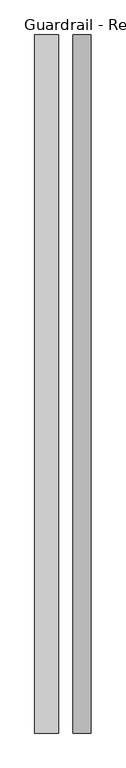
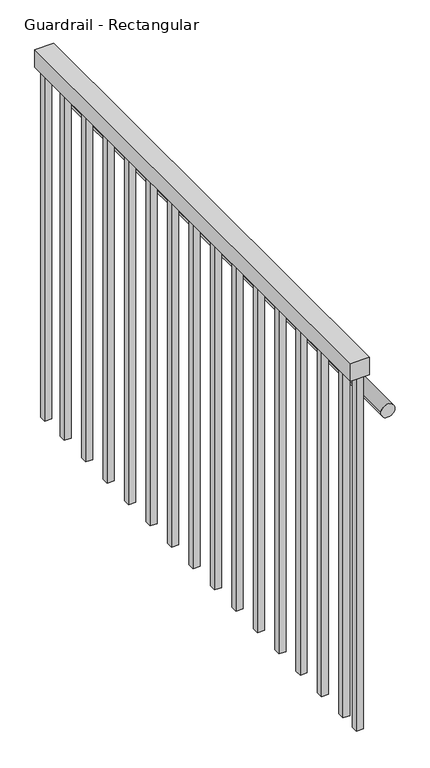
"""IFC4 building model written with IfcOpenShell, lengths in millimetres: railing geometry, Guardrail - Rectangular."""

from ifc_helpers import new_model, si_unit, point, frame, frame_2d, origin, place, context, project, spatial, polyline, circle_curve, trimmed, segment, composite_curve, outline, extrude, source, transform, mapped, element, save


def guardrail_rectangular_2139b42d(model_context):
    return source(origin(), model_context, "Body", "SweptSolid", [
        extrude(outline(polyline([(-9231.4013164, 1522.1062192), (-9180.6013164, 1522.1062192), (-9180.6013164, 27.1062192), (-9231.4013164, 27.1062192), (-9231.4013164, 1522.1062192)])), frame((0.0, 0.0, 4056.0), z_axis=(0.0, 0.0, 1.0), x_axis=(1.0, 0.0, 0.0)), (0.0, 0.0, 1.0), 50.8),
        extrude(outline(composite_curve([segment(trimmed(circle_curve(frame_2d((3935.35, -9129.8013164)), 19.05), [point((3935.35, -9110.7513164))], [point((3935.35, -9148.8513164))], False, "CARTESIAN"), True, "CONTINUOUS"), segment(trimmed(circle_curve(frame_2d((3935.35, -9129.8013164)), 19.05), [point((3935.35, -9148.8513164))], [point((3935.35, -9110.7513164))], False, "CARTESIAN"), True, "CONTINUOUS")], self_intersect=False)), frame((0.0, 27.1062192, 0.0), z_axis=(0.0, 1.0, 0.0), x_axis=(0.0, 0.0, 1.0)), (0.0, 0.0, 1.0), 1495.0),
        extrude(outline(polyline([(-9215.5263164, 109.2312192), (-9196.4763164, 109.2312192), (-9196.4763164, 90.1812192), (-9215.5263164, 90.1812192), (-9215.5263164, 109.2312192)])), frame((0.0, 0.0, 3040.0), z_axis=(0.0, 0.0, 1.0), x_axis=(1.0, 0.0, 0.0)), (0.0, 0.0, 1.0), 1016.0),
        extrude(outline(polyline([(-9215.5263164, 210.8312192), (-9196.4763164, 210.8312192), (-9196.4763164, 191.7812192), (-9215.5263164, 191.7812192), (-9215.5263164, 210.8312192)])), frame((0.0, 0.0, 3040.0), z_axis=(0.0, 0.0, 1.0), x_axis=(1.0, 0.0, 0.0)), (0.0, 0.0, 1.0), 1016.0),
        extrude(outline(polyline([(-9215.5263164, 312.4312192), (-9196.4763164, 312.4312192), (-9196.4763164, 293.3812192), (-9215.5263164, 293.3812192), (-9215.5263164, 312.4312192)])), frame((0.0, 0.0, 3040.0), z_axis=(0.0, 0.0, 1.0), x_axis=(1.0, 0.0, 0.0)), (0.0, 0.0, 1.0), 1016.0),
        extrude(outline(polyline([(-9215.5263164, 414.0312192), (-9196.4763164, 414.0312192), (-9196.4763164, 394.9812192), (-9215.5263164, 394.9812192), (-9215.5263164, 414.0312192)])), frame((0.0, 0.0, 3040.0), z_axis=(0.0, 0.0, 1.0), x_axis=(1.0, 0.0, 0.0)), (0.0, 0.0, 1.0), 1016.0),
        extrude(outline(polyline([(-9215.5263164, 515.6312192), (-9196.4763164, 515.6312192), (-9196.4763164, 496.5812192), (-9215.5263164, 496.5812192), (-9215.5263164, 515.6312192)])), frame((0.0, 0.0, 3040.0), z_axis=(0.0, 0.0, 1.0), x_axis=(1.0, 0.0, 0.0)), (0.0, 0.0, 1.0), 1016.0),
        extrude(outline(polyline([(-9215.5263164, 617.2312192), (-9196.4763164, 617.2312192), (-9196.4763164, 598.1812192), (-9215.5263164, 598.1812192), (-9215.5263164, 617.2312192)])), frame((0.0, 0.0, 3040.0), z_axis=(0.0, 0.0, 1.0), x_axis=(1.0, 0.0, 0.0)), (0.0, 0.0, 1.0), 1016.0),
        extrude(outline(polyline([(-9215.5263164, 718.8312192), (-9196.4763164, 718.8312192), (-9196.4763164, 699.7812192), (-9215.5263164, 699.7812192), (-9215.5263164, 718.8312192)])), frame((0.0, 0.0, 3040.0), z_axis=(0.0, 0.0, 1.0), x_axis=(1.0, 0.0, 0.0)), (0.0, 0.0, 1.0), 1016.0),
        extrude(outline(polyline([(-9215.5263164, 820.4312192), (-9196.4763164, 820.4312192), (-9196.4763164, 801.3812192), (-9215.5263164, 801.3812192), (-9215.5263164, 820.4312192)])), frame((0.0, 0.0, 3040.0), z_axis=(0.0, 0.0, 1.0), x_axis=(1.0, 0.0, 0.0)), (0.0, 0.0, 1.0), 1016.0),
        extrude(outline(polyline([(-9215.5263164, 922.0312192), (-9196.4763164, 922.0312192), (-9196.4763164, 902.9812192), (-9215.5263164, 902.9812192), (-9215.5263164, 922.0312192)])), frame((0.0, 0.0, 3040.0), z_axis=(0.0, 0.0, 1.0), x_axis=(1.0, 0.0, 0.0)), (0.0, 0.0, 1.0), 1016.0),
        extrude(outline(polyline([(-9215.5263164, 1023.6312192), (-9196.4763164, 1023.6312192), (-9196.4763164, 1004.5812192), (-9215.5263164, 1004.5812192), (-9215.5263164, 1023.6312192)])), frame((0.0, 0.0, 3040.0), z_axis=(0.0, 0.0, 1.0), x_axis=(1.0, 0.0, 0.0)), (0.0, 0.0, 1.0), 1016.0),
        extrude(outline(polyline([(-9215.5263164, 1125.2312192), (-9196.4763164, 1125.2312192), (-9196.4763164, 1106.1812192), (-9215.5263164, 1106.1812192), (-9215.5263164, 1125.2312192)])), frame((0.0, 0.0, 3040.0), z_axis=(0.0, 0.0, 1.0), x_axis=(1.0, 0.0, 0.0)), (0.0, 0.0, 1.0), 1016.0),
        extrude(outline(polyline([(-9215.5263164, 1226.8312192), (-9196.4763164, 1226.8312192), (-9196.4763164, 1207.7812192), (-9215.5263164, 1207.7812192), (-9215.5263164, 1226.8312192)])), frame((0.0, 0.0, 3040.0), z_axis=(0.0, 0.0, 1.0), x_axis=(1.0, 0.0, 0.0)), (0.0, 0.0, 1.0), 1016.0),
        extrude(outline(polyline([(-9215.5263164, 1328.4312192), (-9196.4763164, 1328.4312192), (-9196.4763164, 1309.3812192), (-9215.5263164, 1309.3812192), (-9215.5263164, 1328.4312192)])), frame((0.0, 0.0, 3040.0), z_axis=(0.0, 0.0, 1.0), x_axis=(1.0, 0.0, 0.0)), (0.0, 0.0, 1.0), 1016.0),
        extrude(outline(polyline([(-9215.5263164, 1430.0312192), (-9196.4763164, 1430.0312192), (-9196.4763164, 1410.9812192), (-9215.5263164, 1410.9812192), (-9215.5263164, 1430.0312192)])), frame((0.0, 0.0, 3040.0), z_axis=(0.0, 0.0, 1.0), x_axis=(1.0, 0.0, 0.0)), (0.0, 0.0, 1.0), 1016.0),
        extrude(outline(polyline([(-9215.5263164, 46.1562192), (-9196.4763164, 46.1562192), (-9196.4763164, 27.1062192), (-9215.5263164, 27.1062192), (-9215.5263164, 46.1562192)])), frame((0.0, 0.0, 3040.0), z_axis=(0.0, 0.0, 1.0), x_axis=(1.0, 0.0, 0.0)), (0.0, 0.0, 1.0), 1016.0),
        extrude(outline(polyline([(-9215.5263164, 1522.1062192), (-9196.4763164, 1522.1062192), (-9196.4763164, 1503.0562192), (-9215.5263164, 1503.0562192), (-9215.5263164, 1522.1062192)])), frame((0.0, 0.0, 3040.0), z_axis=(0.0, 0.0, 1.0), x_axis=(1.0, 0.0, 0.0)), (0.0, 0.0, 1.0), 1016.0),
    ])


if __name__ == "__main__":
    model = new_model("IFC4")
    model_context = context("Model", 3, world=origin())
    ifc_project = project(units=[si_unit("LENGTHUNIT", "METRE", prefix="MILLI")], contexts=[model_context])
    site = spatial("IfcSite", under=ifc_project)
    building = spatial("IfcBuilding", under=site)
    placement = place(None, origin())
    guardrail_rectangular_shape = guardrail_rectangular_2139b42d(model_context)
    element("IfcRailing", 1, ObjectType="Guardrail - Rectangular", at=placement, inside=building, context=model_context, shape_type="MappedRepresentation", body=[
        mapped(guardrail_rectangular_shape, transform((0.0, 0.0, 0.0), x_axis=(1.0, 0.0, 0.0), y_axis=(0.0, 1.0, 0.0), z_axis=(0.0, 0.0, 1.0))),
    ])
    save(model, "model.ifc")
